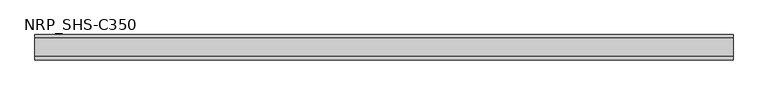
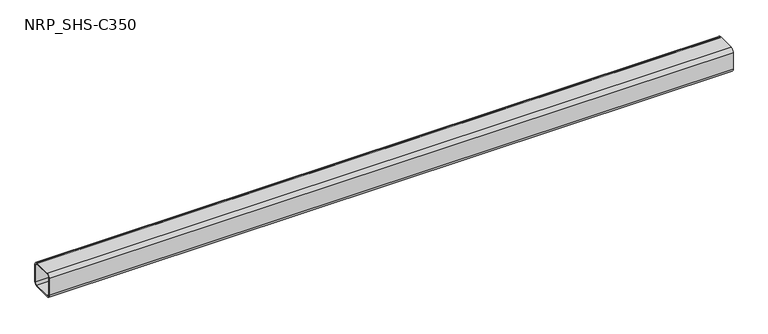
"""IFC4 building model written with IfcOpenShell, lengths in millimetres: member geometry, NRP_SHS-C350."""

from ifc_helpers import new_model, si_unit, point, frame, frame_2d, origin, place, context, project, spatial, polyline, circle_curve, trimmed, segment, composite_curve, outline, extrude, source, transform, mapped, element, save


def nrp_shs_c350_3ed0a2d1(model_context):
    return source(origin(), model_context, "Body", "SweptSolid", [
        extrude(outline(composite_curve([segment(trimmed(circle_curve(frame_2d((-32.0, 32.0)), 12.5), [point((-44.5, 32.0))], [point((-32.0, 44.5))], False, "CARTESIAN"), True, "CONTINUOUS"), segment(polyline([(-32.0, 44.5), (32.0, 44.5)]), True, "CONTINUOUS"), segment(trimmed(circle_curve(frame_2d((32.0, 32.0)), 12.5), [point((32.0, 44.5))], [point((44.5, 32.0))], False, "CARTESIAN"), True, "CONTINUOUS"), segment(polyline([(44.5, 32.0), (44.5, -32.0)]), True, "CONTINUOUS"), segment(trimmed(circle_curve(frame_2d((32.0, -32.0)), 12.5), [point((44.5, -32.0))], [point((32.0, -44.5))], False, "CARTESIAN"), True, "CONTINUOUS"), segment(polyline([(32.0, -44.5), (-32.0, -44.5)]), True, "CONTINUOUS"), segment(trimmed(circle_curve(frame_2d((-32.0, -32.0)), 12.5), [point((-32.0, -44.5))], [point((-44.5, -32.0))], False, "CARTESIAN"), True, "CONTINUOUS"), segment(polyline([(-44.5, -32.0), (-44.5, 32.0)]), True, "CONTINUOUS")], self_intersect=False), holes=[composite_curve([segment(polyline([(32.0, 39.5), (-32.0, 39.5)]), True, "CONTINUOUS"), segment(trimmed(circle_curve(frame_2d((-32.0, 32.0)), 7.5), [point((-32.0, 39.5))], [point((-39.5, 32.0))], True, "CARTESIAN"), True, "CONTINUOUS"), segment(polyline([(-39.5, 32.0), (-39.5, -32.0)]), True, "CONTINUOUS"), segment(trimmed(circle_curve(frame_2d((-32.0, -32.0)), 7.5), [point((-39.5, -32.0))], [point((-32.0, -39.5))], True, "CARTESIAN"), True, "CONTINUOUS"), segment(polyline([(-32.0, -39.5), (32.0, -39.5)]), True, "CONTINUOUS"), segment(trimmed(circle_curve(frame_2d((32.0, -32.0)), 7.5), [point((32.0, -39.5))], [point((39.5, -32.0))], True, "CARTESIAN"), True, "CONTINUOUS"), segment(polyline([(39.5, -32.0), (39.5, 32.0)]), True, "CONTINUOUS"), segment(trimmed(circle_curve(frame_2d((32.0, 32.0)), 7.5), [point((39.5, 32.0))], [point((32.0, 39.5))], True, "CARTESIAN"), True, "CONTINUOUS")], self_intersect=False)]), frame((-1234.0, 0.0, 0.0), z_axis=(1.0, 0.0, 0.0), x_axis=(0.0, 1.0, 0.0)), (0.0, 0.0, 1.0), 2441.0),
    ])


if __name__ == "__main__":
    model = new_model("IFC4")
    model_context = context("Model", 3, world=origin())
    ifc_project = project(units=[si_unit("LENGTHUNIT", "METRE", prefix="MILLI")], contexts=[model_context])
    site = spatial("IfcSite", under=ifc_project)
    building = spatial("IfcBuilding", under=site)
    placement = place(None, origin())
    nrp_shs_c350_shape = nrp_shs_c350_3ed0a2d1(model_context)
    element("IfcMember", 1, ObjectType="NRP_SHS-C350", at=placement, inside=building, context=model_context, shape_type="MappedRepresentation", body=[
        mapped(nrp_shs_c350_shape, transform((0.0, 0.0, 0.0), x_axis=(1.0, 0.0, 0.0), y_axis=(0.0, 1.0, 0.0), z_axis=(0.0, 0.0, 1.0))),
    ])
    save(model, "model.ifc")
